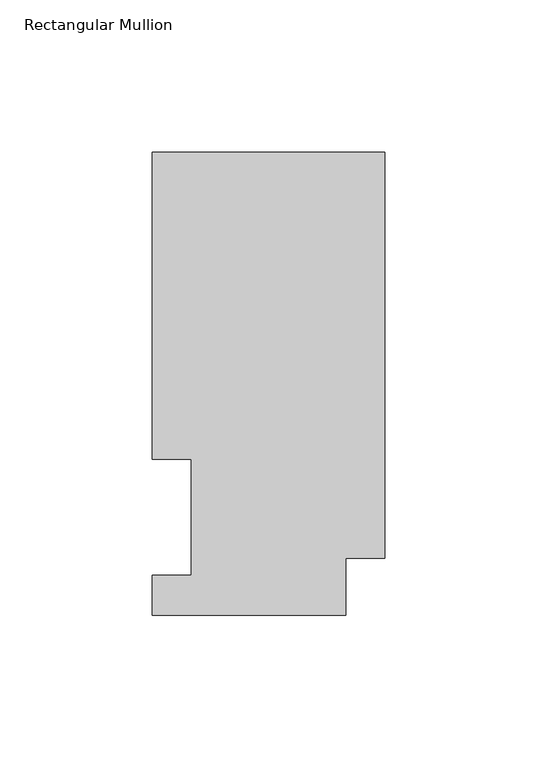
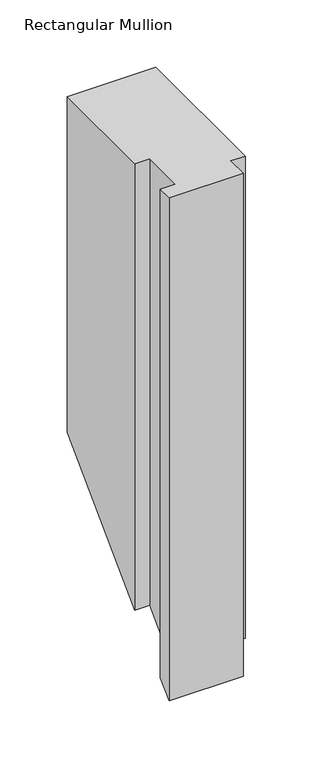
"""IFC4 building model written with IfcOpenShell, lengths in millimetres: member geometry, Rectangular Mullion."""

from ifc_helpers import new_model, si_unit, origin, place, context, project, spatial, faceted_brep, source, transform, mapped, element, save


def rectangular_mullion_af9b4373(model_context):
    return source(origin(), model_context, "Body", "Brep", [
        faceted_brep([(0.0, 151.9816938, 0.0), (-76.2, 151.9816937, 0.0), (-76.2, 51.2960937, 0.0), (-63.5, 51.2960937, 0.0), (-63.5, 13.1960937, 0.0), (-76.2, 13.1960937, 0.0), (-76.2, 0.0134937, 0.0), (-12.7, 0.0134937, 0.0), (-12.7, 18.7332938, 0.0), (0.0, 18.7332938, 0.0), (0.0, 151.9816938, -305.2183062), (-76.2, 151.9816937, -305.2183062), (-76.2, 51.2960937, -405.9039063), (-63.5, 51.2960937, -405.9039063), (-63.5, 13.1960937, -444.0039063), (-76.2, 13.1960937, -444.0039063), (-76.2, 0.0134937, -457.1865063), (-12.7, 0.0134937, -457.1865063), (-12.7, 18.7332938, -438.4667062), (0.0, 18.7332938, -438.4667062)], [[[0, 1, 2, 3, 4, 5, 6, 7, 8, 9]], [[1, 0, 10, 11]], [[2, 1, 11, 12]], [[3, 2, 12, 13]], [[4, 3, 13, 14]], [[5, 4, 14, 15]], [[6, 5, 15, 16]], [[7, 6, 16, 17]], [[8, 7, 17, 18]], [[9, 8, 18, 19]], [[0, 9, 19, 10]], [[10, 19, 18, 17, 16, 15, 14, 13, 12, 11]]]),
    ])


if __name__ == "__main__":
    model = new_model("IFC4")
    model_context = context("Model", 3, world=origin())
    ifc_project = project(units=[si_unit("LENGTHUNIT", "METRE", prefix="MILLI")], contexts=[model_context])
    site = spatial("IfcSite", under=ifc_project)
    building = spatial("IfcBuilding", under=site)
    placement = place(None, origin())
    rectangular_mullion_shape = rectangular_mullion_af9b4373(model_context)
    element("IfcMember", 1, ObjectType="Rectangular Mullion", at=placement, inside=building, context=model_context, shape_type="MappedRepresentation", body=[
        mapped(rectangular_mullion_shape, transform((0.0, 0.0, 0.0), x_axis=(1.0, 0.0, 0.0), y_axis=(0.0, 1.0, 0.0), z_axis=(0.0, 0.0, 1.0))),
    ])
    save(model, "model.ifc")
